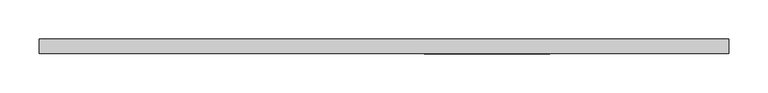
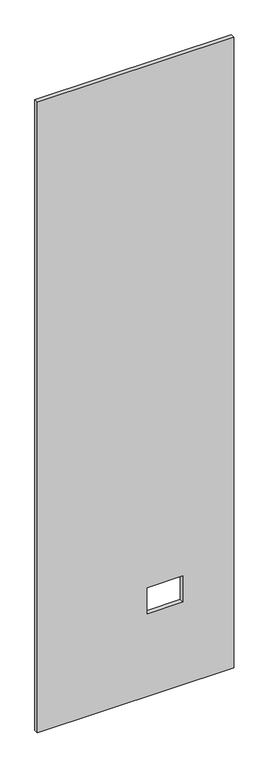
"""IFC4 building model written with IfcOpenShell, lengths in millimetres: proxy geometry."""

from ifc_helpers import new_model, si_unit, frame, origin, place, context, project, spatial, polyline, outline, extrude, source, transform, mapped, element, save


def specialty_equipment_0de7a14f(model_context):
    return source(origin(), model_context, "Body", "SweptSolid", [
        extrude(outline(polyline([(2999.5368001, 441.5715701), (2999.5368001, -441.5715701), (3.175, -441.5715701), (3.175, 441.5715701), (2999.5368001, 441.5715701)]), holes=[polyline([(518.9474, 211.8868), (395.4526, 211.8868), (395.4526, 51.3588), (518.9474, 51.3588), (518.9474, 211.8868)])]), frame((0.0, -9.525, 0.0), z_axis=(0.0, 1.0, 0.0), x_axis=(0.0, 0.0, 1.0)), (0.0, 0.0, 1.0), 19.05),
    ])


if __name__ == "__main__":
    model = new_model("IFC4")
    model_context = context("Model", 3, world=origin())
    ifc_project = project(units=[si_unit("LENGTHUNIT", "METRE", prefix="MILLI")], contexts=[model_context])
    site = spatial("IfcSite", under=ifc_project)
    building = spatial("IfcBuilding", under=site)
    placement = place(None, origin())
    specialty_equipment_shape = specialty_equipment_0de7a14f(model_context)
    element("IfcBuildingElementProxy", 1, Name="Specialty Equipment", at=placement, inside=building, context=model_context, shape_type="MappedRepresentation", body=[
        mapped(specialty_equipment_shape, transform((0.0, 0.0, 0.0), x_axis=(1.0, 0.0, 0.0), y_axis=(0.0, 1.0, 0.0), z_axis=(0.0, 0.0, 1.0))),
    ])
    save(model, "model.ifc")
